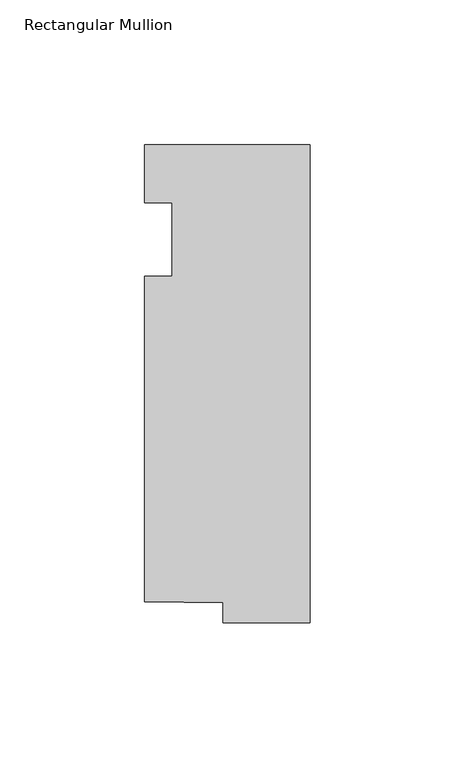
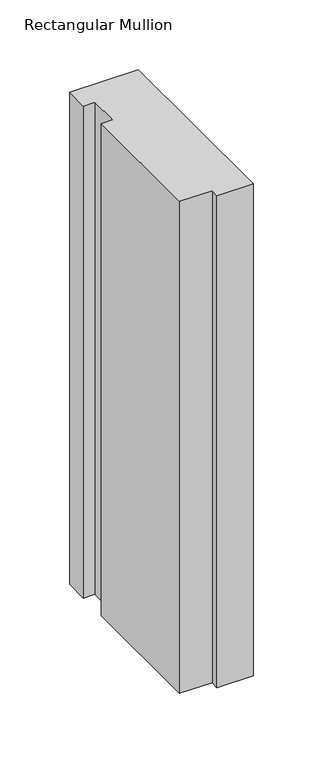
"""IFC4 building model written with IfcOpenShell, lengths in millimetres: member geometry, Rectangular Mullion."""

from ifc_helpers import new_model, si_unit, frame, origin, place, context, project, spatial, polyline, outline, extrude, source, transform, mapped, element, save


def rectangular_mullion_aeb56323(model_context):
    return source(origin(), model_context, "Body", "SweptSolid", [
        extrude(outline(polyline([(-57.15, 20.0421875), (0.0, 20.0421875), (0.0, -145.0578125), (-30.0959106, -145.0578125), (-30.0959106, -138.1373866), (-57.15, -137.7430215), (-57.15, -25.4), (-47.625, -25.4), (-47.625, 0.0), (-57.15, 0.0), (-57.15, 20.0421875)])), frame((0.0, 0.0, -431.8), z_axis=(0.0, 0.0, 1.0), x_axis=(1.0, 0.0, 0.0)), (0.0, 0.0, 1.0), 431.8),
    ])


if __name__ == "__main__":
    model = new_model("IFC4")
    model_context = context("Model", 3, world=origin())
    ifc_project = project(units=[si_unit("LENGTHUNIT", "METRE", prefix="MILLI")], contexts=[model_context])
    site = spatial("IfcSite", under=ifc_project)
    building = spatial("IfcBuilding", under=site)
    placement = place(None, origin())
    rectangular_mullion_shape = rectangular_mullion_aeb56323(model_context)
    element("IfcMember", 1, ObjectType="Rectangular Mullion", at=placement, inside=building, context=model_context, shape_type="MappedRepresentation", body=[
        mapped(rectangular_mullion_shape, transform((0.0, 0.0, 0.0), x_axis=(1.0, 0.0, 0.0), y_axis=(0.0, 1.0, 0.0), z_axis=(0.0, 0.0, 1.0))),
    ])
    save(model, "model.ifc")
